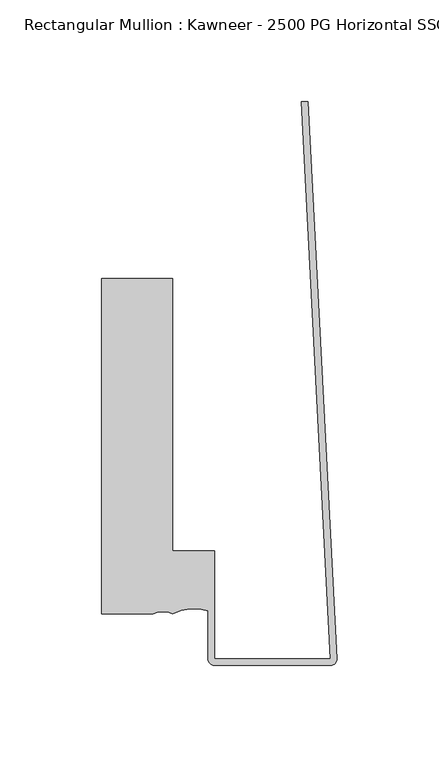
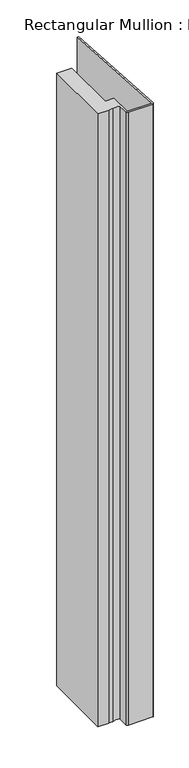
"""IFC4 building model written with IfcOpenShell, lengths in millimetres: member geometry, Rectangular Mullion : Kawneer - 2500 PG Horizontal SSG - Mullion_Head."""

from ifc_helpers import new_model, si_unit, point, frame, frame_2d, origin, place, context, project, spatial, polyline, circle_curve, trimmed, segment, composite_curve, outline, extrude, source, transform, mapped, element, save


def rectangular_mullion_kawneer_2500_pg_horizontal_ssg_mullion_76cb95bd(model_context):
    return source(origin(), model_context, "Body", "SweptSolid", [
        extrude(outline(composite_curve([segment(polyline([(-80.9625, 95.25), (-80.9625, -38.8620344), (-60.3250001, -38.8620344), (-60.3250001, -92.0750171), (-3.175, -92.0750171), (-17.5525632, 182.2652306), (-14.373206, 182.2652306), (-0.0043512, -91.9088505)]), True, "CONTINUOUS"), segment(trimmed(circle_curve(frame_2d((-3.175, -92.0750171)), 3.175), [point((-0.0043512, -91.9088505))], [point((-3.175, -95.2500171))], False, "CARTESIAN"), True, "CONTINUOUS"), segment(polyline([(-3.175, -95.2500171), (-60.3250001, -95.2500171)]), True, "CONTINUOUS"), segment(trimmed(circle_curve(frame_2d((-60.3250001, -92.0750171)), 3.175), [point((-60.3250001, -95.2500171))], [point((-63.5000001, -92.0750171))], False, "CARTESIAN"), True, "CONTINUOUS"), segment(polyline([(-63.5000001, -92.0750171), (-63.5000001, -68.5064162)]), True, "CONTINUOUS"), segment(trimmed(circle_curve(frame_2d((-70.7092948, -88.9585063)), 21.6855233), [point((-63.5000001, -68.5064162))], [point((-80.9624832, -69.8500252))], True, "CARTESIAN"), True, "CONTINUOUS"), segment(trimmed(circle_curve(frame_2d((-85.725, -79.7243466)), 10.9628366), [point((-80.9624832, -69.8500252))], [point((-90.4875, -69.8500171))], True, "CARTESIAN"), True, "CONTINUOUS"), segment(polyline([(-90.4875, -69.8500171), (-115.9625, -69.8500171), (-115.9625, 95.25), (-80.9625, 95.25)]), True, "CONTINUOUS")], self_intersect=False)), frame((0.0, 0.0, -1502.3050876), z_axis=(0.0, 0.0, 1.0), x_axis=(1.0, 0.0, 0.0)), (0.0, 0.0, 1.0), 1502.3050876),
    ])


if __name__ == "__main__":
    model = new_model("IFC4")
    model_context = context("Model", 3, world=origin())
    ifc_project = project(units=[si_unit("LENGTHUNIT", "METRE", prefix="MILLI")], contexts=[model_context])
    site = spatial("IfcSite", under=ifc_project)
    building = spatial("IfcBuilding", under=site)
    placement = place(None, origin())
    rectangular_mullion_kawneer_2500_pg_horizontal_ssg_mullion_shape = rectangular_mullion_kawneer_2500_pg_horizontal_ssg_mullion_76cb95bd(model_context)
    element("IfcMember", 1, ObjectType="Rectangular Mullion : Kawneer - 2500 PG Horizontal SSG - Mullion_Head", at=placement, inside=building, context=model_context, shape_type="MappedRepresentation", body=[
        mapped(rectangular_mullion_kawneer_2500_pg_horizontal_ssg_mullion_shape, transform((0.0, 0.0, 0.0), x_axis=(1.0, 0.0, 0.0), y_axis=(0.0, 1.0, 0.0), z_axis=(0.0, 0.0, 1.0))),
    ])
    save(model, "model.ifc")
